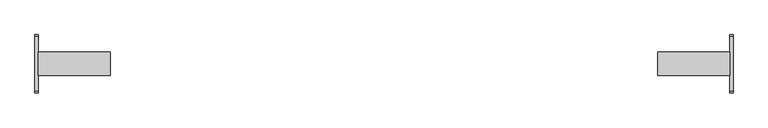
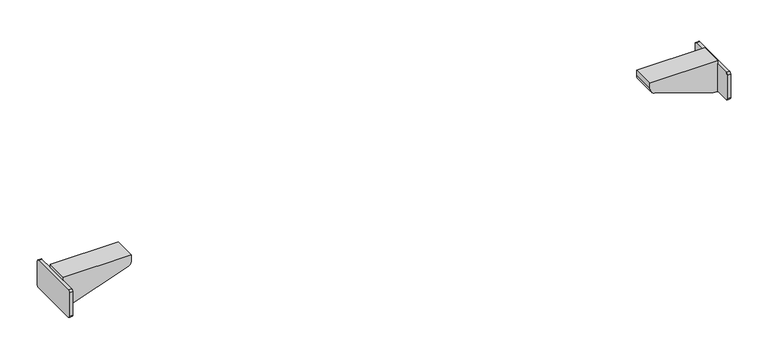
"""IFC4 building model written with IfcOpenShell, lengths in millimetres: furniture geometry."""

from ifc_helpers import new_model, si_unit, point, frame, frame_2d, origin, place, context, project, spatial, polyline, circle_curve, trimmed, segment, composite_curve, outline, extrude, source, transform, mapped, element, save
from ifc_brep_helpers import plane_surface, cylinder_surface, advanced_brep


def furniture_a4e62379(model_context):
    return source(origin(), model_context, "Body", "SolidModel", [
        extrude(outline(composite_curve([segment(trimmed(circle_curve(frame_2d((39.4809876, 521.7409876)), 3.0190124), [point((39.4809876, 524.76))], [point((42.5, 521.7409876))], False, "CARTESIAN"), True, "CONTINUOUS"), segment(polyline([(42.5, 521.7409876), (42.5, 482.9866625)]), True, "CONTINUOUS"), segment(trimmed(circle_curve(frame_2d((39.5133375, 482.9866625)), 2.9866625), [point((42.5, 482.9866625))], [point((39.5133375, 480.0))], False, "CARTESIAN"), True, "CONTINUOUS"), segment(polyline([(39.5133375, 480.0), (-39.4675388, 480.0)]), True, "CONTINUOUS"), segment(trimmed(circle_curve(frame_2d((-39.4675388, 483.0324612)), 3.0324612), [point((-39.4675388, 480.0))], [point((-42.5, 483.0324612))], False, "CARTESIAN"), True, "CONTINUOUS"), segment(polyline([(-42.5, 483.0324612), (-42.5, 521.76)]), True, "CONTINUOUS"), segment(trimmed(circle_curve(frame_2d((-39.5, 521.76)), 3.0), [point((-42.5, 521.76))], [point((-39.5, 524.76))], False, "CARTESIAN"), True, "CONTINUOUS"), segment(polyline([(-39.5, 524.76), (39.4809876, 524.76)]), True, "CONTINUOUS")], self_intersect=False)), frame((504.7599968, 0.0, 0.0), z_axis=(1.0, 0.0, 0.0), x_axis=(0.0, 1.0, 0.0)), (0.0, 0.0, 1.0), 5.24),
        extrude(outline(composite_curve([segment(polyline([(511.6677828, 406.7222698), (480.0, 497.9999968), (480.0, 504.7599968), (530.0, 504.7599968), (530.0, 399.9999968), (521.115349, 399.9999968)]), True, "CONTINUOUS"), segment(trimmed(circle_curve(frame_2d((521.115349, 409.9999968)), 10.0), [point((521.115349, 399.9999968))], [point((511.6677828, 406.7222698))], False, "CARTESIAN"), True, "CONTINUOUS")], self_intersect=False)), frame((0.0, -17.5, 0.0), z_axis=(0.0, 1.0, 0.0), x_axis=(0.0, 0.0, 1.0)), (0.0, 0.0, 1.0), 35.0),
        advanced_brep(
        [(-406.7222698, -17.5, 511.6677828), (-399.9999968, -17.5, 521.115349), (-399.9999968, -17.5, 530.0), (-504.7599968, -17.5, 530.0), (-504.7599968, -17.5, 524.76), (-504.7599968, -17.5, 480.0), (-497.9999968, -17.5, 480.0), (-406.7222698, 17.5, 511.6677828), (-497.9999968, 17.5, 480.0), (-504.7599968, 17.5, 480.0), (-504.7599968, 17.5, 524.76), (-504.7599968, 17.5, 530.0), (-399.9999968, 17.5, 530.0), (-399.9999968, 17.5, 521.115349), (-504.7599968, -39.4675388, 480.0), (-509.9999968, -39.4675388, 480.0), (-509.9999968, 39.5133375, 480.0), (-504.7599968, 39.5133375, 480.0), (-504.7599968, -39.5, 524.76), (-504.7599968, -42.5, 521.76), (-504.7599968, -42.5, 483.0324612), (-504.7599968, 42.5, 482.9866625), (-504.7599968, 42.5, 521.7409876), (-504.7599968, 39.4809876, 524.76), (-509.9999968, 39.4809876, 524.76), (-509.9999968, 42.5, 521.7409876), (-509.9999968, 42.5, 482.9866625), (-509.9999968, -42.5, 483.0324612), (-509.9999968, -42.5, 521.76), (-509.9999968, -39.5, 524.76)],
        [
            (0, 1, circle_curve(frame((-409.9999968, -17.5, 521.115349), z_axis=(0.0, -1.0, 0.0), x_axis=(1.0, 0.0, 0.0)), 10.0)),
            (1, 2),
            (2, 3),
            (3, 4),
            (4, 5),
            (5, 6),
            (6, 0),
            (7, 8),
            (8, 9),
            (9, 10),
            (10, 11),
            (11, 12),
            (12, 13),
            (13, 7, circle_curve(frame((-409.9999968, 17.5, 521.115349), z_axis=(0.0, 1.0, 0.0), x_axis=(1.0, 0.0, 0.0)), 10.0)),
            (0, 7),
            (13, 1),
            (12, 2),
            (11, 3),
            (10, 4),
            (5, 14),
            (14, 15),
            (15, 16),
            (16, 17),
            (17, 9),
            (8, 6),
            (18, 19, circle_curve(frame((-504.7599968, -39.5, 521.76), z_axis=(1.0, 0.0, 0.0), x_axis=(0.0, 1.0, 0.0)), 3.0)),
            (19, 20),
            (20, 14, circle_curve(frame((-504.7599968, -39.4675388, 483.0324612), z_axis=(1.0, 0.0, 0.0), x_axis=(0.0, 1.0, 0.0)), 3.0324612)),
            (4, 18),
            (17, 21, circle_curve(frame((-504.7599968, 39.5133375, 482.9866625), z_axis=(1.0, 0.0, 0.0), x_axis=(0.0, 1.0, 0.0)), 2.9866625)),
            (21, 22),
            (22, 23, circle_curve(frame((-504.7599968, 39.4809876, 521.7409876), z_axis=(1.0, 0.0, 0.0), x_axis=(0.0, 1.0, 0.0)), 3.0190124)),
            (23, 10),
            (24, 25, circle_curve(frame((-509.9999968, 39.4809876, 521.7409876), z_axis=(-1.0, 0.0, 0.0), x_axis=(0.0, 1.0, 0.0)), 3.0190124)),
            (25, 26),
            (26, 16, circle_curve(frame((-509.9999968, 39.5133375, 482.9866625), z_axis=(-1.0, 0.0, 0.0), x_axis=(0.0, 1.0, 0.0)), 2.9866625)),
            (15, 27, circle_curve(frame((-509.9999968, -39.4675388, 483.0324612), z_axis=(-1.0, 0.0, 0.0), x_axis=(0.0, 1.0, 0.0)), 3.0324612)),
            (27, 28),
            (28, 29, circle_curve(frame((-509.9999968, -39.5, 521.76), z_axis=(-1.0, 0.0, 0.0), x_axis=(0.0, 1.0, 0.0)), 3.0)),
            (29, 24),
            (29, 18),
            (23, 24),
            (28, 19),
            (27, 20),
            (26, 21),
            (25, 22),
        ],
        [
            plane_surface(frame((-399.9999968, -17.5, 521.115349), z_axis=(0.0, -1.0, 0.0), x_axis=(0.0, 0.0, 1.0))),
            plane_surface(frame((-399.9999968, 17.5, 521.115349), z_axis=(0.0, 1.0, 0.0), x_axis=(0.0, 0.0, -1.0))),
            cylinder_surface(frame((-409.9999968, 17.5, 521.115349), z_axis=(0.0, -1.0, 0.0), x_axis=(1.0, 0.0, 0.0)), 10.0),
            plane_surface(frame((-399.9999968, -17.5, 521.115349), z_axis=(1.0, 0.0, 0.0), x_axis=(0.0, 1.0, 0.0))),
            plane_surface(frame((-399.9999968, -17.5, 530.0), z_axis=(0.0, 0.0, 1.0), x_axis=(0.0, 1.0, 0.0))),
            plane_surface(frame((-504.7599968, -17.5, 530.0), z_axis=(-1.0, 0.0, 0.0), x_axis=(0.0, 1.0, 0.0))),
            plane_surface(frame((-504.7599968, -17.5, 480.0), z_axis=(0.0, 0.0, -1.0), x_axis=(0.0, 1.0, 0.0))),
            plane_surface(frame((-497.9999968, -17.5, 480.0), z_axis=(0.32777270209389825, 0.0, -0.9447566119176223), x_axis=(0.0, 1.0, 0.0))),
            plane_surface(frame((-504.7599968, -39.5, 524.76), z_axis=(1.0, 0.0, 0.0), x_axis=(0.0, -1.0, 0.0))),
            plane_surface(frame((-509.9999968, -39.5, 524.76), z_axis=(-1.0, 0.0, 0.0), x_axis=(0.0, 1.0, 0.0))),
            plane_surface(frame((-504.7599968, 39.4809876, 524.76), z_axis=(0.0, 0.0, 1.0), x_axis=(-1.0, 0.0, 0.0))),
            cylinder_surface(frame((-509.9999968, -39.5, 521.76), z_axis=(1.0, 0.0, 0.0), x_axis=(0.0, 1.0, 0.0)), 3.0),
            plane_surface(frame((-504.7599968, -42.5, 521.76), z_axis=(0.0, -1.0, 0.0), x_axis=(-1.0, 0.0, 0.0))),
            cylinder_surface(frame((-509.9999968, -39.4675388, 483.0324612), z_axis=(1.0, 0.0, 0.0), x_axis=(0.0, 1.0, 0.0)), 3.0324612),
            cylinder_surface(frame((-509.9999968, 39.5133375, 482.9866625), z_axis=(1.0, 0.0, 0.0), x_axis=(0.0, 1.0, 0.0)), 2.9866625),
            plane_surface(frame((-504.7599968, 42.5, 482.9866625), z_axis=(0.0, 1.0, 0.0), x_axis=(-1.0, 0.0, 0.0))),
            cylinder_surface(frame((-509.9999968, 39.4809876, 521.7409876), z_axis=(1.0, 0.0, 0.0), x_axis=(0.0, 1.0, 0.0)), 3.0190124),
        ],
        [
            (0, [[1, 2, 3, 4, 5, 6, 7]]),
            (1, [[8, 9, 10, 11, 12, 13, 14]]),
            (2, [[-1, 15, -14, 16]]),
            (3, [[-2, -16, -13, 17]]),
            (4, [[-3, -17, -12, 18]]),
            (5, [[-18, -11, 19, -4]]),
            (6, [[-6, 20, 21, 22, 23, 24, -9, 25]]),
            (7, [[-7, -25, -8, -15]]),
            (8, [[26, 27, 28, -20, -5, 29]]),
            (8, [[30, 31, 32, 33, -10, -24]]),
            (9, [[34, 35, 36, -22, 37, 38, 39, 40]]),
            (10, [[-40, 41, -29, -19, -33, 42]]),
            (11, [[-26, -41, -39, 43]]),
            (12, [[-27, -43, -38, 44]]),
            (13, [[-28, -44, -37, -21]]),
            (14, [[-30, -23, -36, 45]]),
            (15, [[-31, -45, -35, 46]]),
            (16, [[-32, -46, -34, -42]]),
        ],
    ),
    ])


if __name__ == "__main__":
    model = new_model("IFC4")
    model_context = context("Model", 3, world=origin())
    ifc_project = project(units=[si_unit("LENGTHUNIT", "METRE", prefix="MILLI")], contexts=[model_context])
    site = spatial("IfcSite", under=ifc_project)
    building = spatial("IfcBuilding", under=site)
    placement = place(None, origin())
    furniture_shape = furniture_a4e62379(model_context)
    element("IfcFurniture", 1, at=placement, inside=building, context=model_context, shape_type="MappedRepresentation", body=[
        mapped(furniture_shape, transform((0.0, 0.0, 0.0), x_axis=(1.0, 0.0, 0.0), y_axis=(0.0, 1.0, 0.0), z_axis=(0.0, 0.0, 1.0))),
    ])
    save(model, "model.ifc")
